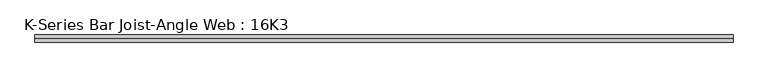
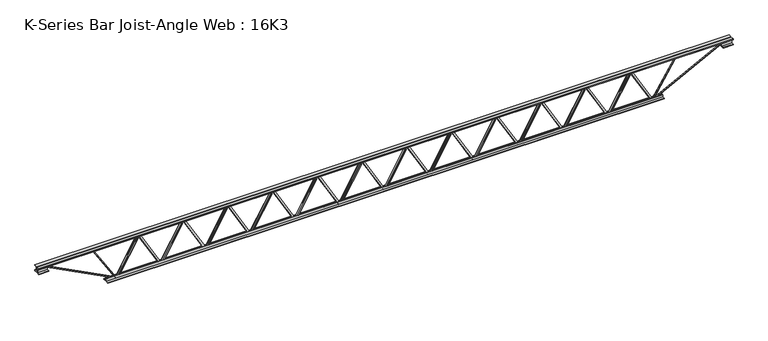
"""IFC4 building model written with IfcOpenShell, lengths in millimetres: beam geometry, K-Series Bar Joist-Angle Web : 16K3."""

from ifc_helpers import new_model, si_unit, frame, origin, place, context, project, spatial, polyline, outline, extrude, faceted_brep, source, transform, mapped, element, save


def k_series_bar_joist_angle_web_16k3_79640f96(model_context):
    return source(origin(), model_context, "Body", "SolidModel", [
        extrude(outline(polyline([(-4.7625, 4.7625), (-4.7625, 0.0), (-17.4625, 0.0), (-17.4625, 4.7625), (-4.7625, 4.7625)])), frame((2278.5891746, 0.0, -165.1), z_axis=(-0.49722539377222114, 0.0, 0.867621408096907), x_axis=(0.0, -1.0, 0.0)), (0.0, 0.0, 1.0), 380.5807428),
        extrude(outline(polyline([(-200.025, 2310.4739583), (-180.975, 2310.4739583), (-180.975, 2309.6435641), (200.025, 2091.2961683), (200.025, 2073.0765625), (180.975, 2073.0765625), (180.975, 2080.2569567), (-200.025, 2298.6043526), (-200.025, 2310.4739583)])), frame((0.0, 0.0, 0.0), z_axis=(0.0, 1.0, 0.0), x_axis=(0.0, 0.0, 1.0)), (0.0, 0.0, 1.0), 4.7625),
        faceted_brep([(1848.3791667, 0.0, -180.975), (1848.3791667, 0.0, -200.025), (1848.3791667, -4.7625, -200.025), (1848.3791667, -4.7625, -180.975), (1849.2095609, 0.0, -180.975), (2067.5569567, 0.0, 200.025), (2085.7765625, 0.0, 200.025), (2085.7765625, 0.0, 180.975), (2078.5961683, 0.0, 180.975), (1860.2487724, 0.0, -200.025), (1860.2487724, -4.7625, -200.025), (1880.2639504, -4.7625, -165.1), (1876.1319034, -4.7625, -162.7319641), (2065.3663131, -4.7625, 167.4680359), (2069.4983601, -4.7625, 165.1), (2078.5961683, -4.7625, 180.975), (2085.7765625, -4.7625, 180.975), (2085.7765625, -4.7625, 200.025), (2067.5569567, -4.7625, 200.025), (1849.2095609, -4.7625, -180.975), (2069.4983601, -17.4625, 165.1), (1880.2639504, -17.4625, -165.1), (1876.1319034, -17.4625, -162.7319641), (2065.3663131, -17.4625, 167.4680359)], [[[0, 1, 2, 3]], [[1, 0, 4, 5, 6, 7, 8, 9]], [[2, 1, 9, 10]], [[3, 2, 10, 11, 12, 13, 14, 15, 16, 17, 18, 19]], [[0, 3, 19, 4]], [[9, 8, 15, 14, 20, 21, 11, 10]], [[5, 4, 19, 18]], [[7, 6, 17, 16]], [[8, 7, 16, 15]], [[6, 5, 18, 17]], [[21, 22, 12, 11]], [[20, 14, 13, 23]], [[22, 21, 20, 23]], [[12, 22, 23, 13]]]),
        extrude(outline(polyline([(-4.7625, 4.7624999), (-4.7625, 0.0), (-17.4625, 0.0), (-17.4625, 4.7624999), (-4.7625, 4.7624999)])), frame((1816.494383, 0.0, -165.1), z_axis=(-0.49722539377222114, 0.0, 0.867621408096907), x_axis=(0.0, -1.0, 0.0)), (0.0, 0.0, 1.0), 380.5807428),
        extrude(outline(polyline([(-200.025, 1848.3791667), (-180.975, 1848.3791667), (-180.975, 1847.5487724), (200.025, 1629.2013766), (200.025, 1610.9817708), (180.975, 1610.9817708), (180.975, 1618.1621651), (-200.025, 1836.5095609), (-200.025, 1848.3791667)])), frame((0.0, 0.0, 0.0), z_axis=(0.0, 1.0, 0.0), x_axis=(0.0, 0.0, 1.0)), (0.0, 0.0, 1.0), 4.7625),
        faceted_brep([(1386.284375, 0.0, -180.975), (1386.284375, 0.0, -200.025), (1386.284375, -4.7625, -200.025), (1386.284375, -4.7625, -180.975), (1387.1147692, 0.0, -180.975), (1605.4621651, 0.0, 200.025), (1623.6817708, 0.0, 200.025), (1623.6817708, 0.0, 180.975), (1616.5013766, 0.0, 180.975), (1398.1539808, 0.0, -200.025), (1398.1539808, -4.7625, -200.025), (1418.1691587, -4.7625, -165.1), (1414.0371118, -4.7625, -162.7319641), (1603.2715215, -4.7625, 167.4680359), (1607.4035684, -4.7625, 165.1), (1616.5013766, -4.7625, 180.975), (1623.6817708, -4.7625, 180.975), (1623.6817708, -4.7625, 200.025), (1605.4621651, -4.7625, 200.025), (1387.1147692, -4.7625, -180.975), (1607.4035684, -17.4625, 165.1), (1418.1691587, -17.4625, -165.1), (1414.0371118, -17.4625, -162.7319641), (1603.2715215, -17.4625, 167.4680359)], [[[0, 1, 2, 3]], [[1, 0, 4, 5, 6, 7, 8, 9]], [[2, 1, 9, 10]], [[3, 2, 10, 11, 12, 13, 14, 15, 16, 17, 18, 19]], [[0, 3, 19, 4]], [[9, 8, 15, 14, 20, 21, 11, 10]], [[5, 4, 19, 18]], [[7, 6, 17, 16]], [[8, 7, 16, 15]], [[6, 5, 18, 17]], [[21, 22, 12, 11]], [[20, 14, 13, 23]], [[22, 21, 20, 23]], [[12, 22, 23, 13]]]),
        extrude(outline(polyline([(-4.7625, 4.7624999), (-4.7625, 0.0), (-17.4625, 0.0), (-17.4625, 4.7624999), (-4.7625, 4.7624999)])), frame((1354.3995913, 0.0, -165.1), z_axis=(-0.49722539377222114, 0.0, 0.867621408096907), x_axis=(0.0, -1.0, 0.0)), (0.0, 0.0, 1.0), 380.5807428),
        extrude(outline(polyline([(-200.025, 1386.284375), (-180.975, 1386.284375), (-180.975, 1385.4539808), (200.025, 1167.1065849), (200.025, 1148.8869792), (180.975, 1148.8869792), (180.975, 1156.0673734), (-200.025, 1374.4147692), (-200.025, 1386.284375)])), frame((0.0, 0.0, 0.0), z_axis=(0.0, 1.0, 0.0), x_axis=(0.0, 0.0, 1.0)), (0.0, 0.0, 1.0), 4.7625),
        faceted_brep([(924.1895833, 0.0, -180.975), (924.1895833, 0.0, -200.025), (924.1895833, -4.7625, -200.025), (924.1895833, -4.7625, -180.975), (925.0199776, 0.0, -180.975), (1143.3673734, 0.0, 200.025), (1161.5869792, 0.0, 200.025), (1161.5869792, 0.0, 180.975), (1154.4065849, 0.0, 180.975), (936.0591891, 0.0, -200.025), (936.0591891, -4.7625, -200.025), (956.074367, -4.7625, -165.1), (951.9423201, -4.7625, -162.7319641), (1141.1767298, -4.7625, 167.4680359), (1145.3087768, -4.7625, 165.1), (1154.4065849, -4.7625, 180.975), (1161.5869792, -4.7625, 180.975), (1161.5869792, -4.7625, 200.025), (1143.3673734, -4.7625, 200.025), (925.0199776, -4.7625, -180.975), (1145.3087768, -17.4625, 165.1), (956.074367, -17.4625, -165.1), (951.9423201, -17.4625, -162.7319641), (1141.1767298, -17.4625, 167.4680359)], [[[0, 1, 2, 3]], [[1, 0, 4, 5, 6, 7, 8, 9]], [[2, 1, 9, 10]], [[3, 2, 10, 11, 12, 13, 14, 15, 16, 17, 18, 19]], [[0, 3, 19, 4]], [[9, 8, 15, 14, 20, 21, 11, 10]], [[5, 4, 19, 18]], [[7, 6, 17, 16]], [[8, 7, 16, 15]], [[6, 5, 18, 17]], [[21, 22, 12, 11]], [[20, 14, 13, 23]], [[22, 21, 20, 23]], [[12, 22, 23, 13]]]),
        extrude(outline(polyline([(-4.7625, 4.7625), (-4.7625, 0.0), (-17.4625, 0.0), (-17.4625, 4.7625), (-4.7625, 4.7625)])), frame((892.3047996, 0.0, -165.1), z_axis=(-0.49722539377222114, 0.0, 0.867621408096907), x_axis=(0.0, -1.0, 0.0)), (0.0, 0.0, 1.0), 380.5807428),
        extrude(outline(polyline([(-200.025, 924.1895833), (-180.975, 924.1895833), (-180.975, 923.3591891), (200.025, 705.0117933), (200.025, 686.7921875), (180.975, 686.7921875), (180.975, 693.9725817), (-200.025, 912.3199776), (-200.025, 924.1895833)])), frame((0.0, 0.0, 0.0), z_axis=(0.0, 1.0, 0.0), x_axis=(0.0, 0.0, 1.0)), (0.0, 0.0, 1.0), 4.7625),
        faceted_brep([(462.0947917, 0.0, -180.975), (462.0947917, 0.0, -200.025), (462.0947917, -4.7625, -200.025), (462.0947917, -4.7625, -180.975), (462.9251859, 0.0, -180.975), (681.2725817, 0.0, 200.025), (699.4921875, 0.0, 200.025), (699.4921875, 0.0, 180.975), (692.3117933, 0.0, 180.975), (473.9643974, 0.0, -200.025), (473.9643974, -4.7625, -200.025), (493.9795754, -4.7625, -165.1), (489.8475284, -4.7625, -162.7319641), (679.0819381, -4.7625, 167.4680359), (683.2139851, -4.7625, 165.1), (692.3117933, -4.7625, 180.975), (699.4921875, -4.7625, 180.975), (699.4921875, -4.7625, 200.025), (681.2725817, -4.7625, 200.025), (462.9251859, -4.7625, -180.975), (683.2139851, -17.4625, 165.1), (493.9795754, -17.4625, -165.1), (489.8475284, -17.4625, -162.7319641), (679.0819381, -17.4625, 167.4680359)], [[[0, 1, 2, 3]], [[1, 0, 4, 5, 6, 7, 8, 9]], [[2, 1, 9, 10]], [[3, 2, 10, 11, 12, 13, 14, 15, 16, 17, 18, 19]], [[0, 3, 19, 4]], [[9, 8, 15, 14, 20, 21, 11, 10]], [[5, 4, 19, 18]], [[7, 6, 17, 16]], [[8, 7, 16, 15]], [[6, 5, 18, 17]], [[21, 22, 12, 11]], [[20, 14, 13, 23]], [[22, 21, 20, 23]], [[12, 22, 23, 13]]]),
        extrude(outline(polyline([(-4.7625, 4.7624999), (-4.7625, 0.0), (-17.4625, 0.0), (-17.4625, 4.7624999), (-4.7625, 4.7624999)])), frame((430.210008, 0.0, -165.1), z_axis=(-0.49722539377222114, 0.0, 0.867621408096907), x_axis=(0.0, -1.0, 0.0)), (0.0, 0.0, 1.0), 380.5807428),
        extrude(outline(polyline([(-200.025, 462.0947917), (-180.975, 462.0947917), (-180.975, 461.2643974), (200.025, 242.9170016), (200.025, 224.6973958), (180.975, 224.6973958), (180.975, 231.8777901), (-200.025, 450.2251859), (-200.025, 462.0947917)])), frame((0.0, 0.0, 0.0), z_axis=(0.0, 1.0, 0.0), x_axis=(0.0, 0.0, 1.0)), (0.0, 0.0, 1.0), 4.7625),
        faceted_brep([(0.0, 0.0, -180.975), (0.0, 0.0, -200.025), (0.0, -4.7625, -200.025), (0.0, -4.7625, -180.975), (0.8303942, 0.0, -180.975), (219.1777901, 0.0, 200.025), (237.3973958, 0.0, 200.025), (237.3973958, 0.0, 180.975), (230.2170016, 0.0, 180.975), (11.8696058, 0.0, -200.025), (11.8696058, -4.7625, -200.025), (31.8847837, -4.7625, -165.1), (27.7527368, -4.7625, -162.7319641), (216.9871465, -4.7625, 167.4680359), (221.1191934, -4.7625, 165.1), (230.2170016, -4.7625, 180.975), (237.3973958, -4.7625, 180.975), (237.3973958, -4.7625, 200.025), (219.1777901, -4.7625, 200.025), (0.8303942, -4.7625, -180.975), (221.1191934, -17.4625, 165.1), (31.8847837, -17.4625, -165.1), (27.7527368, -17.4625, -162.7319641), (216.9871465, -17.4625, 167.4680359)], [[[0, 1, 2, 3]], [[1, 0, 4, 5, 6, 7, 8, 9]], [[2, 1, 9, 10]], [[3, 2, 10, 11, 12, 13, 14, 15, 16, 17, 18, 19]], [[0, 3, 19, 4]], [[9, 8, 15, 14, 20, 21, 11, 10]], [[5, 4, 19, 18]], [[7, 6, 17, 16]], [[8, 7, 16, 15]], [[6, 5, 18, 17]], [[21, 22, 12, 11]], [[20, 14, 13, 23]], [[22, 21, 20, 23]], [[12, 22, 23, 13]]]),
        extrude(outline(polyline([(-4.7625, 4.7624999), (-4.7625, 0.0), (-17.4625, 0.0), (-17.4625, 4.7624999), (-4.7625, 4.7624999)])), frame((-31.8847837, 0.0, -165.1), z_axis=(-0.49722539377222114, 0.0, 0.867621408096907), x_axis=(0.0, -1.0, 0.0)), (0.0, 0.0, 1.0), 380.5807428),
        extrude(outline(polyline([(-200.025, 0.0), (-180.975, 0.0), (-180.975, -0.8303942), (200.025, -219.1777901), (200.025, -237.3973958), (180.975, -237.3973958), (180.975, -230.2170016), (-200.025, -11.8696058), (-200.025, 0.0)])), frame((0.0, 0.0, 0.0), z_axis=(0.0, 1.0, 0.0), x_axis=(0.0, 0.0, 1.0)), (0.0, 0.0, 1.0), 4.7625),
        faceted_brep([(-462.0947917, 0.0, -180.975), (-462.0947917, 0.0, -200.025), (-462.0947917, -4.7625, -200.025), (-462.0947917, -4.7625, -180.975), (-461.2643974, 0.0, -180.975), (-242.9170016, 0.0, 200.025), (-224.6973958, 0.0, 200.025), (-224.6973958, 0.0, 180.975), (-231.8777901, 0.0, 180.975), (-450.2251859, 0.0, -200.025), (-450.2251859, -4.7625, -200.025), (-430.210008, -4.7625, -165.1), (-434.3420549, -4.7625, -162.7319641), (-245.1076452, -4.7625, 167.4680359), (-240.9755982, -4.7625, 165.1), (-231.8777901, -4.7625, 180.975), (-224.6973958, -4.7625, 180.975), (-224.6973958, -4.7625, 200.025), (-242.9170016, -4.7625, 200.025), (-461.2643974, -4.7625, -180.975), (-240.9755982, -17.4625, 165.1), (-430.210008, -17.4625, -165.1), (-434.3420549, -17.4625, -162.7319641), (-245.1076452, -17.4625, 167.4680359)], [[[0, 1, 2, 3]], [[1, 0, 4, 5, 6, 7, 8, 9]], [[2, 1, 9, 10]], [[3, 2, 10, 11, 12, 13, 14, 15, 16, 17, 18, 19]], [[0, 3, 19, 4]], [[9, 8, 15, 14, 20, 21, 11, 10]], [[5, 4, 19, 18]], [[7, 6, 17, 16]], [[8, 7, 16, 15]], [[6, 5, 18, 17]], [[21, 22, 12, 11]], [[20, 14, 13, 23]], [[22, 21, 20, 23]], [[12, 22, 23, 13]]]),
        extrude(outline(polyline([(-4.7625, 4.7625), (-4.7625, 0.0), (-17.4625, 0.0), (-17.4625, 4.7625), (-4.7625, 4.7625)])), frame((-493.9795754, 0.0, -165.1), z_axis=(-0.49722539377222114, 0.0, 0.867621408096907), x_axis=(0.0, -1.0, 0.0)), (0.0, 0.0, 1.0), 380.5807428),
        extrude(outline(polyline([(-200.025, -462.0947917), (-180.975, -462.0947917), (-180.975, -462.9251859), (200.025, -681.2725817), (200.025, -699.4921875), (180.975, -699.4921875), (180.975, -692.3117933), (-200.025, -473.9643974), (-200.025, -462.0947917)])), frame((0.0, 0.0, 0.0), z_axis=(0.0, 1.0, 0.0), x_axis=(0.0, 0.0, 1.0)), (0.0, 0.0, 1.0), 4.7625),
        faceted_brep([(-924.1895833, 0.0, -180.975), (-924.1895833, 0.0, -200.025), (-924.1895833, -4.7625, -200.025), (-924.1895833, -4.7625, -180.975), (-923.3591891, 0.0, -180.975), (-705.0117933, 0.0, 200.025), (-686.7921875, 0.0, 200.025), (-686.7921875, 0.0, 180.975), (-693.9725817, 0.0, 180.975), (-912.3199776, 0.0, -200.025), (-912.3199776, -4.7625, -200.025), (-892.3047996, -4.7625, -165.1), (-896.4368466, -4.7625, -162.7319641), (-707.2024369, -4.7625, 167.4680359), (-703.0703899, -4.7625, 165.1), (-693.9725817, -4.7625, 180.975), (-686.7921875, -4.7625, 180.975), (-686.7921875, -4.7625, 200.025), (-705.0117933, -4.7625, 200.025), (-923.3591891, -4.7625, -180.975), (-703.0703899, -17.4625, 165.1), (-892.3047996, -17.4625, -165.1), (-896.4368466, -17.4625, -162.7319641), (-707.2024369, -17.4625, 167.4680359)], [[[0, 1, 2, 3]], [[1, 0, 4, 5, 6, 7, 8, 9]], [[2, 1, 9, 10]], [[3, 2, 10, 11, 12, 13, 14, 15, 16, 17, 18, 19]], [[0, 3, 19, 4]], [[9, 8, 15, 14, 20, 21, 11, 10]], [[5, 4, 19, 18]], [[7, 6, 17, 16]], [[8, 7, 16, 15]], [[6, 5, 18, 17]], [[21, 22, 12, 11]], [[20, 14, 13, 23]], [[22, 21, 20, 23]], [[12, 22, 23, 13]]]),
        extrude(outline(polyline([(-4.7625, 4.7624999), (-4.7625, 0.0), (-17.4625, 0.0), (-17.4625, 4.7624999), (-4.7625, 4.7624999)])), frame((-956.074367, 0.0, -165.1), z_axis=(-0.49722539377222114, 0.0, 0.867621408096907), x_axis=(0.0, -1.0, 0.0)), (0.0, 0.0, 1.0), 380.5807428),
        extrude(outline(polyline([(-200.025, -924.1895833), (-180.975, -924.1895833), (-180.975, -925.0199776), (200.025, -1143.3673734), (200.025, -1161.5869792), (180.975, -1161.5869792), (180.975, -1154.4065849), (-200.025, -936.0591891), (-200.025, -924.1895833)])), frame((0.0, 0.0, 0.0), z_axis=(0.0, 1.0, 0.0), x_axis=(0.0, 0.0, 1.0)), (0.0, 0.0, 1.0), 4.7625),
        faceted_brep([(-1386.284375, 0.0, -180.975), (-1386.284375, 0.0, -200.025), (-1386.284375, -4.7625, -200.025), (-1386.284375, -4.7625, -180.975), (-1385.4539808, 0.0, -180.975), (-1167.1065849, 0.0, 200.025), (-1148.8869792, 0.0, 200.025), (-1148.8869792, 0.0, 180.975), (-1156.0673734, 0.0, 180.975), (-1374.4147692, 0.0, -200.025), (-1374.4147692, -4.7625, -200.025), (-1354.3995913, -4.7625, -165.1), (-1358.5316382, -4.7625, -162.7319641), (-1169.2972285, -4.7625, 167.4680359), (-1165.1651816, -4.7625, 165.1), (-1156.0673734, -4.7625, 180.975), (-1148.8869792, -4.7625, 180.975), (-1148.8869792, -4.7625, 200.025), (-1167.1065849, -4.7625, 200.025), (-1385.4539808, -4.7625, -180.975), (-1165.1651816, -17.4625, 165.1), (-1354.3995913, -17.4625, -165.1), (-1358.5316382, -17.4625, -162.7319641), (-1169.2972285, -17.4625, 167.4680359)], [[[0, 1, 2, 3]], [[1, 0, 4, 5, 6, 7, 8, 9]], [[2, 1, 9, 10]], [[3, 2, 10, 11, 12, 13, 14, 15, 16, 17, 18, 19]], [[0, 3, 19, 4]], [[9, 8, 15, 14, 20, 21, 11, 10]], [[5, 4, 19, 18]], [[7, 6, 17, 16]], [[8, 7, 16, 15]], [[6, 5, 18, 17]], [[21, 22, 12, 11]], [[20, 14, 13, 23]], [[22, 21, 20, 23]], [[12, 22, 23, 13]]]),
        extrude(outline(polyline([(-4.7625, 4.7624999), (-4.7625, 0.0), (-17.4625, 0.0), (-17.4625, 4.7624999), (-4.7625, 4.7624999)])), frame((-1418.1691587, 0.0, -165.1), z_axis=(-0.49722539377222114, 0.0, 0.867621408096907), x_axis=(0.0, -1.0, 0.0)), (0.0, 0.0, 1.0), 380.5807428),
        extrude(outline(polyline([(-200.025, -1386.284375), (-180.975, -1386.284375), (-180.975, -1387.1147692), (200.025, -1605.4621651), (200.025, -1623.6817708), (180.975, -1623.6817708), (180.975, -1616.5013766), (-200.025, -1398.1539808), (-200.025, -1386.284375)])), frame((0.0, 0.0, 0.0), z_axis=(0.0, 1.0, 0.0), x_axis=(0.0, 0.0, 1.0)), (0.0, 0.0, 1.0), 4.7625),
        faceted_brep([(-1848.3791667, 0.0, -180.975), (-1848.3791667, 0.0, -200.025), (-1848.3791667, -4.7625, -200.025), (-1848.3791667, -4.7625, -180.975), (-1847.5487724, 0.0, -180.975), (-1629.2013766, 0.0, 200.025), (-1610.9817708, 0.0, 200.025), (-1610.9817708, 0.0, 180.975), (-1618.1621651, 0.0, 180.975), (-1836.5095609, 0.0, -200.025), (-1836.5095609, -4.7625, -200.025), (-1816.494383, -4.7625, -165.1), (-1820.6264299, -4.7625, -162.7319641), (-1631.3920202, -4.7625, 167.4680359), (-1627.2599732, -4.7625, 165.1), (-1618.1621651, -4.7625, 180.975), (-1610.9817708, -4.7625, 180.975), (-1610.9817708, -4.7625, 200.025), (-1629.2013766, -4.7625, 200.025), (-1847.5487724, -4.7625, -180.975), (-1627.2599732, -17.4625, 165.1), (-1816.494383, -17.4625, -165.1), (-1820.6264299, -17.4625, -162.7319641), (-1631.3920202, -17.4625, 167.4680359)], [[[0, 1, 2, 3]], [[1, 0, 4, 5, 6, 7, 8, 9]], [[2, 1, 9, 10]], [[3, 2, 10, 11, 12, 13, 14, 15, 16, 17, 18, 19]], [[0, 3, 19, 4]], [[9, 8, 15, 14, 20, 21, 11, 10]], [[5, 4, 19, 18]], [[7, 6, 17, 16]], [[8, 7, 16, 15]], [[6, 5, 18, 17]], [[21, 22, 12, 11]], [[20, 14, 13, 23]], [[22, 21, 20, 23]], [[12, 22, 23, 13]]]),
        extrude(outline(polyline([(-4.7625, 4.7625), (-4.7625, 0.0), (-17.4625, 0.0), (-17.4625, 4.7625), (-4.7625, 4.7625)])), frame((-1880.2639504, 0.0, -165.1), z_axis=(-0.49722539377222114, 0.0, 0.867621408096907), x_axis=(0.0, -1.0, 0.0)), (0.0, 0.0, 1.0), 380.5807428),
        extrude(outline(polyline([(-200.025, -1848.3791667), (-180.975, -1848.3791667), (-180.975, -1849.2095609), (200.025, -2067.5569567), (200.025, -2085.7765625), (180.975, -2085.7765625), (180.975, -2078.5961683), (-200.025, -1860.2487724), (-200.025, -1848.3791667)])), frame((0.0, 0.0, 0.0), z_axis=(0.0, 1.0, 0.0), x_axis=(0.0, 0.0, 1.0)), (0.0, 0.0, 1.0), 4.7625),
        faceted_brep([(-2310.4739583, 0.0, -180.975), (-2310.4739583, 0.0, -200.025), (-2310.4739583, -4.7625, -200.025), (-2310.4739583, -4.7625, -180.975), (-2309.6435641, 0.0, -180.975), (-2091.2961683, 0.0, 200.025), (-2073.0765625, 0.0, 200.025), (-2073.0765625, 0.0, 180.975), (-2080.2569567, 0.0, 180.975), (-2298.6043526, 0.0, -200.025), (-2298.6043526, -4.7625, -200.025), (-2278.5891746, -4.7625, -165.1), (-2282.7212216, -4.7625, -162.7319641), (-2093.4868119, -4.7625, 167.4680359), (-2089.3547649, -4.7625, 165.1), (-2080.2569567, -4.7625, 180.975), (-2073.0765625, -4.7625, 180.975), (-2073.0765625, -4.7625, 200.025), (-2091.2961683, -4.7625, 200.025), (-2309.6435641, -4.7625, -180.975), (-2089.3547649, -17.4625, 165.1), (-2278.5891746, -17.4625, -165.1), (-2282.7212216, -17.4625, -162.7319641), (-2093.4868119, -17.4625, 167.4680359)], [[[0, 1, 2, 3]], [[1, 0, 4, 5, 6, 7, 8, 9]], [[2, 1, 9, 10]], [[3, 2, 10, 11, 12, 13, 14, 15, 16, 17, 18, 19]], [[0, 3, 19, 4]], [[9, 8, 15, 14, 20, 21, 11, 10]], [[5, 4, 19, 18]], [[7, 6, 17, 16]], [[8, 7, 16, 15]], [[6, 5, 18, 17]], [[21, 22, 12, 11]], [[20, 14, 13, 23]], [[22, 21, 20, 23]], [[12, 22, 23, 13]]]),
        extrude(outline(polyline([(-4.7625, 4.7624999), (-4.7625, 0.0), (-17.4625, 0.0), (-17.4625, 4.7624999), (-4.7625, 4.7624999)])), frame((2740.6839663, 0.0, -165.1), z_axis=(-0.49722539377222114, 0.0, 0.867621408096907), x_axis=(0.0, -1.0, 0.0)), (0.0, 0.0, 1.0), 380.5807428),
        extrude(outline(polyline([(-200.025, 2772.56875), (-180.975, 2772.56875), (-180.975, 2771.7383558), (200.025, 2553.3909599), (200.025, 2535.1713542), (180.975, 2535.1713542), (180.975, 2542.3517484), (-200.025, 2760.6991442), (-200.025, 2772.56875)])), frame((0.0, 0.0, 0.0), z_axis=(0.0, 1.0, 0.0), x_axis=(0.0, 0.0, 1.0)), (0.0, 0.0, 1.0), 4.7625),
        faceted_brep([(2310.4739583, 0.0, -180.975), (2310.4739583, 0.0, -200.025), (2310.4739583, -4.7625, -200.025), (2310.4739583, -4.7625, -180.975), (2311.3043526, 0.0, -180.975), (2529.6517484, 0.0, 200.025), (2547.8713542, 0.0, 200.025), (2547.8713542, 0.0, 180.975), (2540.6909599, 0.0, 180.975), (2322.3435641, 0.0, -200.025), (2322.3435641, -4.7625, -200.025), (2342.358742, -4.7625, -165.1), (2338.2266951, -4.7625, -162.7319641), (2527.4611048, -4.7625, 167.4680359), (2531.5931518, -4.7625, 165.1), (2540.6909599, -4.7625, 180.975), (2547.8713542, -4.7625, 180.975), (2547.8713542, -4.7625, 200.025), (2529.6517484, -4.7625, 200.025), (2311.3043526, -4.7625, -180.975), (2531.5931518, -17.4625, 165.1), (2342.358742, -17.4625, -165.1), (2338.2266951, -17.4625, -162.7319641), (2527.4611048, -17.4625, 167.4680359)], [[[0, 1, 2, 3]], [[1, 0, 4, 5, 6, 7, 8, 9]], [[2, 1, 9, 10]], [[3, 2, 10, 11, 12, 13, 14, 15, 16, 17, 18, 19]], [[0, 3, 19, 4]], [[9, 8, 15, 14, 20, 21, 11, 10]], [[5, 4, 19, 18]], [[7, 6, 17, 16]], [[8, 7, 16, 15]], [[6, 5, 18, 17]], [[21, 22, 12, 11]], [[20, 14, 13, 23]], [[22, 21, 20, 23]], [[12, 22, 23, 13]]]),
        extrude(outline(polyline([(-4.7625, 4.7624999), (-4.7625, 0.0), (-17.4625, 0.0), (-17.4625, 4.7624999), (-4.7625, 4.7624999)])), frame((-2342.358742, 0.0, -165.1), z_axis=(-0.49722539377222114, 0.0, 0.867621408096907), x_axis=(0.0, -1.0, 0.0)), (0.0, 0.0, 1.0), 380.5807428),
        extrude(outline(polyline([(-200.025, -2310.4739583), (-180.975, -2310.4739583), (-180.975, -2311.3043526), (200.025, -2529.6517484), (200.025, -2547.8713542), (180.975, -2547.8713542), (180.975, -2540.6909599), (-200.025, -2322.3435641), (-200.025, -2310.4739583)])), frame((0.0, 0.0, 0.0), z_axis=(0.0, 1.0, 0.0), x_axis=(0.0, 0.0, 1.0)), (0.0, 0.0, 1.0), 4.7625),
        faceted_brep([(-2772.56875, 0.0, -180.975), (-2772.56875, 0.0, -200.025), (-2772.56875, -4.7625, -200.025), (-2772.56875, -4.7625, -180.975), (-2771.7383558, 0.0, -180.975), (-2553.3909599, 0.0, 200.025), (-2535.1713542, 0.0, 200.025), (-2535.1713542, 0.0, 180.975), (-2542.3517484, 0.0, 180.975), (-2760.6991442, 0.0, -200.025), (-2760.6991442, -4.7625, -200.025), (-2740.6839663, -4.7625, -165.1), (-2744.8160132, -4.7625, -162.7319641), (-2555.5816035, -4.7625, 167.4680359), (-2551.4495566, -4.7625, 165.1), (-2542.3517484, -4.7625, 180.975), (-2535.1713542, -4.7625, 180.975), (-2535.1713542, -4.7625, 200.025), (-2553.3909599, -4.7625, 200.025), (-2771.7383558, -4.7625, -180.975), (-2551.4495566, -17.4625, 165.1), (-2740.6839663, -17.4625, -165.1), (-2744.8160132, -17.4625, -162.7319641), (-2555.5816035, -17.4625, 167.4680359)], [[[0, 1, 2, 3]], [[1, 0, 4, 5, 6, 7, 8, 9]], [[2, 1, 9, 10]], [[3, 2, 10, 11, 12, 13, 14, 15, 16, 17, 18, 19]], [[0, 3, 19, 4]], [[9, 8, 15, 14, 20, 21, 11, 10]], [[5, 4, 19, 18]], [[7, 6, 17, 16]], [[8, 7, 16, 15]], [[6, 5, 18, 17]], [[21, 22, 12, 11]], [[20, 14, 13, 23]], [[22, 21, 20, 23]], [[12, 22, 23, 13]]]),
        extrude(outline(polyline([(4.7625, 203.2), (36.5125, 203.2), (36.5125, 196.85), (11.1125, 196.85), (11.1125, 171.45), (4.7625, 171.45), (4.7625, 203.2)])), frame((-3585.36875, 0.0, 0.0), z_axis=(1.0, 0.0, 0.0), x_axis=(0.0, 1.0, 0.0)), (0.0, 0.0, 1.0), 7170.7375),
        extrude(outline(polyline([(-4.7625, 203.2), (-4.7625, 171.45), (-11.1125, 171.45), (-11.1125, 196.85), (-36.5125, 196.85), (-36.5125, 203.2), (-4.7625, 203.2)])), frame((-3585.36875, 0.0, 0.0), z_axis=(1.0, 0.0, 0.0), x_axis=(0.0, 1.0, 0.0)), (0.0, 0.0, 1.0), 7170.7375),
        extrude(outline(polyline([(-4.7625, 139.7), (-36.5125, 139.7), (-36.5125, 146.05), (-11.1125, 146.05), (-11.1125, 171.45), (-4.7625, 171.45), (-4.7625, 139.7)])), frame((-3585.36875, 0.0, 0.0), z_axis=(1.0, 0.0, 0.0), x_axis=(0.0, 1.0, 0.0)), (0.0, 0.0, 1.0), 101.6),
        extrude(outline(polyline([(36.5125, 139.7), (4.7625, 139.7), (4.7625, 171.45), (11.1125, 171.45), (11.1125, 146.05), (36.5125, 146.05), (36.5125, 139.7)])), frame((-3585.36875, 0.0, 0.0), z_axis=(1.0, 0.0, 0.0), x_axis=(0.0, 1.0, 0.0)), (0.0, 0.0, 1.0), 101.6),
        extrude(outline(polyline([(4.7625, 139.7), (4.7625, 171.45), (11.1125, 171.45), (11.1125, 146.05), (36.5125, 146.05), (36.5125, 139.7), (4.7625, 139.7)])), frame((3483.76875, 0.0, 0.0), z_axis=(1.0, 0.0, 0.0), x_axis=(0.0, 1.0, 0.0)), (0.0, 0.0, 1.0), 101.6),
        extrude(outline(polyline([(-4.7625, 139.7), (-36.5125, 139.7), (-36.5125, 146.05), (-11.1125, 146.05), (-11.1125, 171.45), (-4.7625, 171.45), (-4.7625, 139.7)])), frame((3483.76875, 0.0, 0.0), z_axis=(1.0, 0.0, 0.0), x_axis=(0.0, 1.0, 0.0)), (0.0, 0.0, 1.0), 101.6),
        extrude(outline(polyline([(4.7625, -203.2), (4.7625, -171.45), (11.1125, -171.45), (11.1125, -196.85), (36.5125, -196.85), (36.5125, -203.2), (4.7625, -203.2)])), frame((-2874.16875, 0.0, 0.0), z_axis=(1.0, 0.0, 0.0), x_axis=(0.0, 1.0, 0.0)), (0.0, 0.0, 1.0), 5748.3375),
        extrude(outline(polyline([(-4.7625, -203.2), (-36.5125, -203.2), (-36.5125, -196.85), (-11.1125, -196.85), (-11.1125, -171.45), (-4.7625, -171.45), (-4.7625, -203.2)])), frame((-2874.16875, 0.0, 0.0), z_axis=(1.0, 0.0, 0.0), x_axis=(0.0, 1.0, 0.0)), (0.0, 0.0, 1.0), 5748.3375),
        extrude(outline(polyline([(4.7625, 4.7625), (4.7625, -4.7625), (-4.7625, -4.7625), (-4.7625, 4.7625), (4.7625, 4.7625)])), frame((2772.56875, 0.0, -196.85), z_axis=(0.5314204348963487, 0.0, 0.8471082111363197), x_axis=(0.0, -1.0, 0.0)), (0.0, 0.0, 1.0), 434.7732617),
        extrude(outline(polyline([(4.7625, 4.7625), (4.7625, -4.7625), (-4.7625, -4.7625), (-4.7625, 4.7625), (4.7625, 4.7625)])), frame((-2772.56875, 0.0, -196.85), z_axis=(-0.5314204348963184, 0.0, 0.8471082111363387), x_axis=(0.0, -1.0, 0.0)), (0.0, 0.0, 1.0), 434.7732617),
        extrude(outline(polyline([(0.0, -9.525), (0.0, 0.0), (800.9059433, 0.0), (800.9059433, -9.525), (0.0, -9.525)])), frame((3485.9588059, -4.7625, 167.2209266), z_axis=(-0.4598542476610154, 0.0, 0.8879944092775143), x_axis=(-0.8879944092775143, 0.0, -0.4598542476610154)), (0.0, 0.0, 1.0), 9.525),
        extrude(outline(polyline([(0.0, -9.525), (0.0, 0.0), (800.9059433, 0.0), (800.9059433, -9.525), (0.0, -9.525)])), frame((-3485.9588059, 4.7625, 167.2209266), z_axis=(0.45985424766101335, 0.0, 0.8879944092775154), x_axis=(0.8879944092775154, 0.0, -0.45985424766101335)), (0.0, 0.0, 1.0), 9.525),
    ])


if __name__ == "__main__":
    model = new_model("IFC4")
    model_context = context("Model", 3, world=origin())
    ifc_project = project(units=[si_unit("LENGTHUNIT", "METRE", prefix="MILLI")], contexts=[model_context])
    site = spatial("IfcSite", under=ifc_project)
    building = spatial("IfcBuilding", under=site)
    placement = place(None, origin())
    k_series_bar_joist_angle_web_16k3_shape = k_series_bar_joist_angle_web_16k3_79640f96(model_context)
    element("IfcBeam", 1, ObjectType="K-Series Bar Joist-Angle Web : 16K3", at=placement, inside=building, context=model_context, shape_type="MappedRepresentation", body=[
        mapped(k_series_bar_joist_angle_web_16k3_shape, transform((0.0, 0.0, 0.0), x_axis=(1.0, 0.0, 0.0), y_axis=(0.0, 1.0, 0.0), z_axis=(0.0, 0.0, 1.0))),
    ])
    save(model, "model.ifc")
